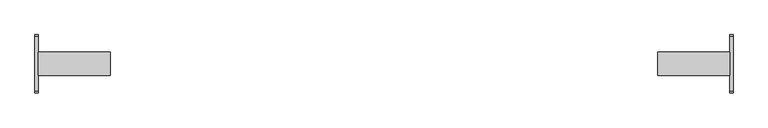
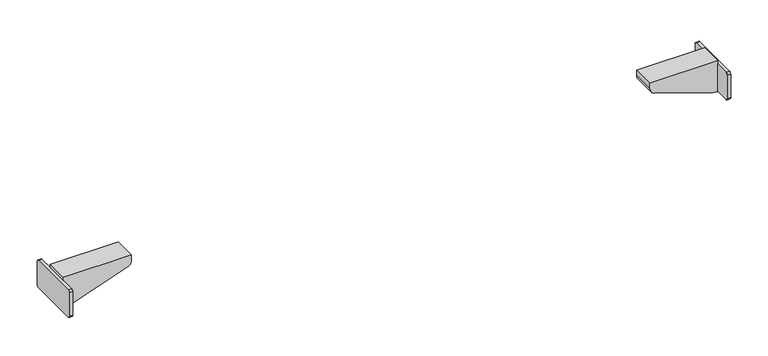
"""IFC4 building model written with IfcOpenShell, lengths in millimetres: furniture geometry."""

from ifc_helpers import new_model, si_unit, point, frame, frame_2d, origin, place, context, project, spatial, polyline, circle_curve, trimmed, segment, composite_curve, outline, extrude, source, transform, mapped, element, save
from ifc_brep_helpers import plane_surface, cylinder_surface, advanced_brep


def furniture_f5fa357f(model_context):
    return source(origin(), model_context, "Body", "SolidModel", [
        extrude(outline(composite_curve([segment(polyline([(-39.4809876, 524.76), (39.5, 524.76)]), True, "CONTINUOUS"), segment(trimmed(circle_curve(frame_2d((39.5, 521.76)), 3.0), [point((39.5, 524.76))], [point((42.5, 521.76))], False, "CARTESIAN"), True, "CONTINUOUS"), segment(polyline([(42.5, 521.76), (42.5, 483.0324612)]), True, "CONTINUOUS"), segment(trimmed(circle_curve(frame_2d((39.4675388, 483.0324612)), 3.0324612), [point((42.5, 483.0324612))], [point((39.4675388, 480.0))], False, "CARTESIAN"), True, "CONTINUOUS"), segment(polyline([(39.4675388, 480.0), (-39.5133375, 480.0)]), True, "CONTINUOUS"), segment(trimmed(circle_curve(frame_2d((-39.5133375, 482.9866625)), 2.9866625), [point((-39.5133375, 480.0))], [point((-42.5, 482.9866625))], False, "CARTESIAN"), True, "CONTINUOUS"), segment(polyline([(-42.5, 482.9866625), (-42.5, 521.7409876)]), True, "CONTINUOUS"), segment(trimmed(circle_curve(frame_2d((-39.4809876, 521.7409876)), 3.0190124), [point((-42.5, 521.7409876))], [point((-39.4809876, 524.76))], False, "CARTESIAN"), True, "CONTINUOUS")], self_intersect=False)), frame((504.7599968, 0.0, 0.0), z_axis=(1.0, 0.0, 0.0), x_axis=(0.0, 1.0, 0.0)), (0.0, 0.0, 1.0), 5.24),
        extrude(outline(composite_curve([segment(polyline([(511.6677828, 406.7222698), (480.0, 497.9999968), (480.0, 504.7599968), (530.0, 504.7599968), (530.0, 399.9999968), (521.115349, 399.9999968)]), True, "CONTINUOUS"), segment(trimmed(circle_curve(frame_2d((521.115349, 409.9999968)), 10.0), [point((521.115349, 399.9999968))], [point((511.6677828, 406.7222698))], False, "CARTESIAN"), True, "CONTINUOUS")], self_intersect=False)), frame((0.0, -17.5, 0.0), z_axis=(0.0, 1.0, 0.0), x_axis=(0.0, 0.0, 1.0)), (0.0, 0.0, 1.0), 35.0),
        advanced_brep(
        [(-406.7222698, 17.5, 511.6677828), (-497.9999968, 17.5, 480.0), (-504.7599968, 17.5, 480.0), (-504.7599968, 17.5, 524.76), (-504.7599968, 17.5, 530.0), (-399.9999968, 17.5, 530.0), (-399.9999968, 17.5, 521.115349), (-406.7222698, -17.5, 511.6677828), (-399.9999968, -17.5, 521.115349), (-399.9999968, -17.5, 530.0), (-504.7599968, -17.5, 530.0), (-504.7599968, -17.5, 524.76), (-504.7599968, -17.5, 480.0), (-497.9999968, -17.5, 480.0), (-504.7599968, -39.5133375, 480.0), (-509.9999968, -39.5133375, 480.0), (-509.9999968, 39.4675388, 480.0), (-504.7599968, 39.4675388, 480.0), (-504.7599968, -39.4809876, 524.76), (-504.7599968, -42.5, 521.7409876), (-504.7599968, -42.5, 482.9866625), (-504.7599968, 39.5, 524.76), (-504.7599968, 42.5, 483.0324612), (-504.7599968, 42.5, 521.76), (-509.9999968, -39.4809876, 524.76), (-509.9999968, 39.5, 524.76), (-509.9999968, 42.5, 521.76), (-509.9999968, 42.5, 483.0324612), (-509.9999968, -42.5, 482.9866625), (-509.9999968, -42.5, 521.7409876)],
        [
            (0, 1),
            (1, 2),
            (2, 3),
            (3, 4),
            (4, 5),
            (5, 6),
            (6, 0, circle_curve(frame((-409.9999968, 17.5, 521.115349), z_axis=(0.0, 1.0, 0.0), x_axis=(1.0, 0.0, 0.0)), 10.0)),
            (7, 8, circle_curve(frame((-409.9999968, -17.5, 521.115349), z_axis=(0.0, -1.0, 0.0), x_axis=(1.0, 0.0, 0.0)), 10.0)),
            (8, 9),
            (9, 10),
            (10, 11),
            (11, 12),
            (12, 13),
            (13, 7),
            (6, 8),
            (7, 0),
            (5, 9),
            (4, 10),
            (3, 11),
            (1, 13),
            (12, 14),
            (14, 15),
            (15, 16),
            (16, 17),
            (17, 2),
            (11, 18),
            (18, 19, circle_curve(frame((-504.7599968, -39.4809876, 521.7409876), z_axis=(1.0, 0.0, 0.0), x_axis=(0.0, -1.0, 0.0)), 3.0190124)),
            (19, 20),
            (20, 14, circle_curve(frame((-504.7599968, -39.5133375, 482.9866625), z_axis=(1.0, 0.0, 0.0), x_axis=(0.0, -1.0, 0.0)), 2.9866625)),
            (21, 3),
            (17, 22, circle_curve(frame((-504.7599968, 39.4675388, 483.0324612), z_axis=(1.0, 0.0, 0.0), x_axis=(0.0, -1.0, 0.0)), 3.0324612)),
            (22, 23),
            (23, 21, circle_curve(frame((-504.7599968, 39.5, 521.76), z_axis=(1.0, 0.0, 0.0), x_axis=(0.0, -1.0, 0.0)), 3.0)),
            (24, 25),
            (25, 26, circle_curve(frame((-509.9999968, 39.5, 521.76), z_axis=(-1.0, 0.0, 0.0), x_axis=(0.0, -1.0, 0.0)), 3.0)),
            (26, 27),
            (27, 16, circle_curve(frame((-509.9999968, 39.4675388, 483.0324612), z_axis=(-1.0, 0.0, 0.0), x_axis=(0.0, -1.0, 0.0)), 3.0324612)),
            (15, 28, circle_curve(frame((-509.9999968, -39.5133375, 482.9866625), z_axis=(-1.0, 0.0, 0.0), x_axis=(0.0, -1.0, 0.0)), 2.9866625)),
            (28, 29),
            (29, 24, circle_curve(frame((-509.9999968, -39.4809876, 521.7409876), z_axis=(-1.0, 0.0, 0.0), x_axis=(0.0, -1.0, 0.0)), 3.0190124)),
            (24, 18),
            (21, 25),
            (23, 26),
            (22, 27),
            (20, 28),
            (19, 29),
        ],
        [
            plane_surface(frame((-399.9999968, 17.5, 521.115349), z_axis=(0.0, 1.0, 0.0), x_axis=(0.0, 0.0, 1.0))),
            plane_surface(frame((-399.9999968, -17.5, 521.115349), z_axis=(0.0, -1.0, 0.0), x_axis=(0.0, 0.0, -1.0))),
            cylinder_surface(frame((-409.9999968, -17.5, 521.115349), z_axis=(0.0, 1.0, 0.0), x_axis=(1.0, 0.0, 0.0)), 10.0),
            plane_surface(frame((-399.9999968, 17.5, 521.115349), z_axis=(1.0, 0.0, 0.0), x_axis=(0.0, -1.0, 0.0))),
            plane_surface(frame((-399.9999968, 17.5, 530.0), z_axis=(0.0, 0.0, 1.0), x_axis=(0.0, -1.0, 0.0))),
            plane_surface(frame((-504.7599968, 17.5, 530.0), z_axis=(-1.0, 0.0, 0.0), x_axis=(0.0, -1.0, 0.0))),
            plane_surface(frame((-504.7599968, 17.5, 480.0), z_axis=(0.0, 0.0, -1.0), x_axis=(0.0, -1.0, 0.0))),
            plane_surface(frame((-497.9999968, 17.5, 480.0), z_axis=(0.32777270209389825, 0.0, -0.9447566119176223), x_axis=(0.0, -1.0, 0.0))),
            plane_surface(frame((-504.7599968, 39.5, 524.76), z_axis=(1.0, 0.0, 0.0), x_axis=(0.0, 1.0, 0.0))),
            plane_surface(frame((-509.9999968, 39.5, 524.76), z_axis=(-1.0, 0.0, 0.0), x_axis=(0.0, -1.0, 0.0))),
            plane_surface(frame((-504.7599968, -39.4809876, 524.76), z_axis=(0.0, 0.0, 1.0), x_axis=(-1.0, 0.0, 0.0))),
            cylinder_surface(frame((-509.9999968, 39.5, 521.76), z_axis=(1.0, 0.0, 0.0), x_axis=(0.0, -1.0, 0.0)), 3.0),
            plane_surface(frame((-504.7599968, 42.5, 521.76), z_axis=(0.0, 1.0, 0.0), x_axis=(-1.0, 0.0, 0.0))),
            cylinder_surface(frame((-509.9999968, 39.4675388, 483.0324612), z_axis=(1.0, 0.0, 0.0), x_axis=(0.0, -1.0, 0.0)), 3.0324612),
            cylinder_surface(frame((-509.9999968, -39.5133375, 482.9866625), z_axis=(1.0, 0.0, 0.0), x_axis=(0.0, -1.0, 0.0)), 2.9866625),
            plane_surface(frame((-504.7599968, -42.5, 482.9866625), z_axis=(0.0, -1.0, 0.0), x_axis=(-1.0, 0.0, 0.0))),
            cylinder_surface(frame((-509.9999968, -39.4809876, 521.7409876), z_axis=(1.0, 0.0, 0.0), x_axis=(0.0, -1.0, 0.0)), 3.0190124),
        ],
        [
            (0, [[1, 2, 3, 4, 5, 6, 7]]),
            (1, [[8, 9, 10, 11, 12, 13, 14]]),
            (2, [[15, -8, 16, -7]]),
            (3, [[17, -9, -15, -6]]),
            (4, [[18, -10, -17, -5]]),
            (5, [[-4, 19, -11, -18]]),
            (6, [[20, -13, 21, 22, 23, 24, 25, -2]]),
            (7, [[-16, -14, -20, -1]]),
            (8, [[-21, -12, 26, 27, 28, 29]]),
            (8, [[30, -3, -25, 31, 32, 33]]),
            (9, [[34, 35, 36, 37, -23, 38, 39, 40]]),
            (10, [[41, -26, -19, -30, 42, -34]]),
            (11, [[43, -35, -42, -33]]),
            (12, [[44, -36, -43, -32]]),
            (13, [[-24, -37, -44, -31]]),
            (14, [[45, -38, -22, -29]]),
            (15, [[46, -39, -45, -28]]),
            (16, [[-41, -40, -46, -27]]),
        ],
    ),
    ])


if __name__ == "__main__":
    model = new_model("IFC4")
    model_context = context("Model", 3, world=origin())
    ifc_project = project(units=[si_unit("LENGTHUNIT", "METRE", prefix="MILLI")], contexts=[model_context])
    site = spatial("IfcSite", under=ifc_project)
    building = spatial("IfcBuilding", under=site)
    placement = place(None, origin())
    furniture_shape = furniture_f5fa357f(model_context)
    element("IfcFurniture", 1, at=placement, inside=building, context=model_context, shape_type="MappedRepresentation", body=[
        mapped(furniture_shape, transform((0.0, 0.0, 0.0), x_axis=(1.0, 0.0, 0.0), y_axis=(0.0, 1.0, 0.0), z_axis=(0.0, 0.0, 1.0))),
    ])
    save(model, "model.ifc")
